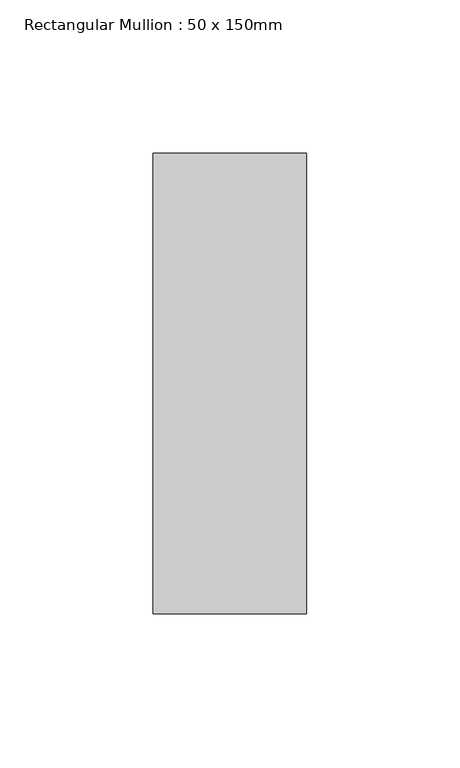
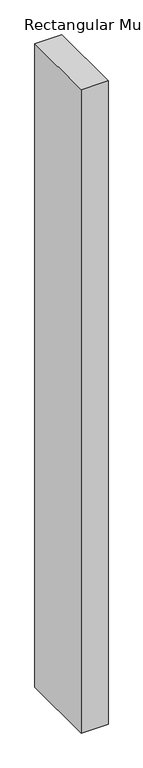
"""IFC4 building model written with IfcOpenShell, lengths in millimetres: member geometry, Rectangular Mullion : 50 x 150mm."""

from ifc_helpers import new_model, si_unit, frame, origin, place, context, project, spatial, polyline, outline, extrude, source, transform, mapped, element, save


def rectangular_mullion_50_x_150mm_fb4eff6c(model_context):
    return source(origin(), model_context, "Body", "SweptSolid", [
        extrude(outline(polyline([(25.0, 75.0), (25.0, -75.0), (-25.0, -75.0), (-25.0, 75.0), (25.0, 75.0)])), frame((0.0, 0.0, -1269.6666667), z_axis=(0.0, 0.0, 1.0), x_axis=(1.0, 0.0, 0.0)), (0.0, 0.0, 1.0), 1269.6666667),
    ])


if __name__ == "__main__":
    model = new_model("IFC4")
    model_context = context("Model", 3, world=origin())
    ifc_project = project(units=[si_unit("LENGTHUNIT", "METRE", prefix="MILLI")], contexts=[model_context])
    site = spatial("IfcSite", under=ifc_project)
    building = spatial("IfcBuilding", under=site)
    placement = place(None, origin())
    rectangular_mullion_50_x_150mm_shape = rectangular_mullion_50_x_150mm_fb4eff6c(model_context)
    element("IfcMember", 1, ObjectType="Rectangular Mullion : 50 x 150mm", at=placement, inside=building, context=model_context, shape_type="MappedRepresentation", body=[
        mapped(rectangular_mullion_50_x_150mm_shape, transform((0.0, 0.0, 0.0), x_axis=(1.0, 0.0, 0.0), y_axis=(0.0, 1.0, 0.0), z_axis=(0.0, 0.0, 1.0))),
    ])
    save(model, "model.ifc")
